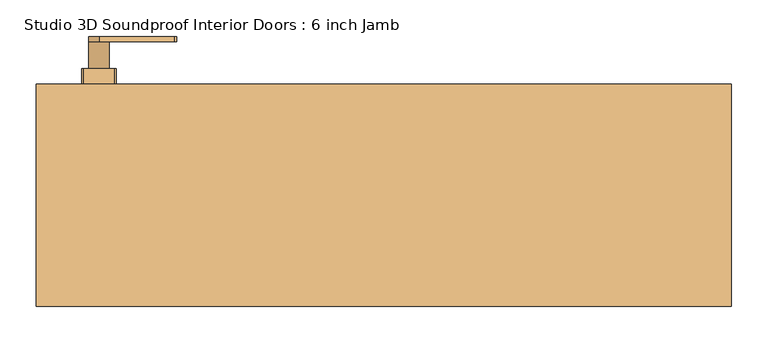
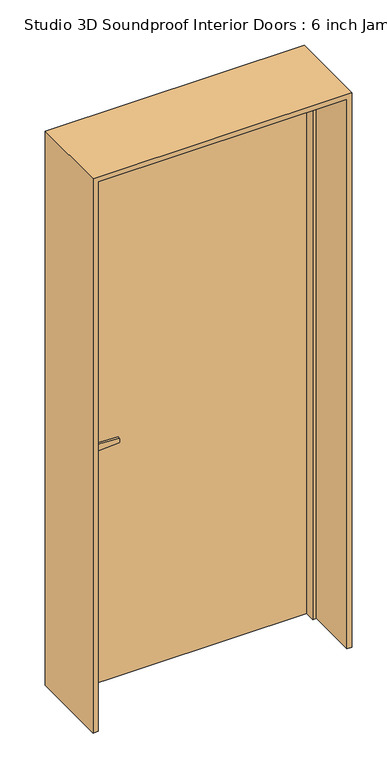
"""IFC4 building model written with IfcOpenShell, lengths in millimetres: door geometry, Studio 3D Soundproof Interior Doors : 6 inch Jamb."""

from ifc_helpers import new_model, si_unit, point, frame, frame_2d, origin, origin_with_axes, place, context, project, spatial, polyline, circle_curve, trimmed, segment, composite_curve, outline, extrude, faceted_brep, source, transform, mapped, element, save


def studio_3d_soundproof_interior_doors_6_inch_jamb_a1a7df69(model_context):
    return source(origin(), model_context, "Body", "SolidModel", [
        extrude(outline(composite_curve([segment(polyline([(980.8500629, -286.9976429), (985.5940156, -390.5562374)]), True, "CONTINUOUS"), segment(trimmed(circle_curve(frame_2d((971.3540529, -390.5282704)), 14.2399902), [point((985.5940156, -390.5562374))], [point((957.1140902, -390.5562374))], False, "CARTESIAN"), True, "CONTINUOUS"), segment(polyline([(957.1140902, -390.5562374), (961.858043, -286.9976429)]), True, "CONTINUOUS"), segment(trimmed(circle_curve(frame_2d((971.3540529, -301.4004793)), 17.2515478), [point((961.858043, -286.9976429))], [point((980.8500629, -286.9976429))], False, "CARTESIAN"), True, "CONTINUOUS")], self_intersect=False)), frame((0.0, 210.9687888, 0.0), z_axis=(0.0, 1.0, 0.0), x_axis=(0.0, 0.0, 1.0)), (0.0, 0.0, 1.0), 6.9288506),
        extrude(outline(composite_curve([segment(trimmed(circle_curve(frame_2d((971.3540529, -390.5282704)), 14.2399902), [point((971.3540529, -376.2882802))], [point((971.3540529, -404.7682606))], False, "CARTESIAN"), True, "CONTINUOUS"), segment(trimmed(circle_curve(frame_2d((971.3540529, -390.5282704)), 14.2399902), [point((971.3540529, -404.7682606))], [point((971.3540529, -376.2882802))], False, "CARTESIAN"), True, "CONTINUOUS")], self_intersect=False)), frame((0.0, 173.6582345, 0.0), z_axis=(0.0, 1.0, 0.0), x_axis=(0.0, 0.0, 1.0)), (0.0, 0.0, 1.0), 37.3105543),
        extrude(outline(composite_curve([segment(trimmed(circle_curve(frame_2d((1094.8021823, -411.2261984)), 3.1653366), [point((1097.9675189, -411.2261984))], [point((1094.8021823, -414.391535))], False, "CARTESIAN"), True, "CONTINUOUS"), segment(polyline([(1094.8021823, -414.391535), (898.1753792, -414.391535)]), True, "CONTINUOUS"), segment(trimmed(circle_curve(frame_2d((898.1753792, -411.2261984)), 3.1653366), [point((898.1753792, -414.391535))], [point((895.0100425, -411.2261984))], False, "CARTESIAN"), True, "CONTINUOUS"), segment(polyline([(895.0100425, -411.2261984), (895.0100425, -369.8238016)]), True, "CONTINUOUS"), segment(trimmed(circle_curve(frame_2d((898.1753792, -369.8238016)), 3.1653366), [point((895.0100425, -369.8238016))], [point((898.1753792, -366.658465))], False, "CARTESIAN"), True, "CONTINUOUS"), segment(polyline([(898.1753792, -366.658465), (1094.8021823, -366.658465)]), True, "CONTINUOUS"), segment(trimmed(circle_curve(frame_2d((1094.8021823, -369.8238016)), 3.1653366), [point((1094.8021823, -366.658465))], [point((1097.9675189, -369.8238016))], False, "CARTESIAN"), True, "CONTINUOUS"), segment(polyline([(1097.9675189, -369.8238016), (1097.9675189, -411.2261984)]), True, "CONTINUOUS")], self_intersect=False)), frame((0.0, 152.4, 0.0), z_axis=(0.0, 1.0, 0.0), x_axis=(0.0, 0.0, 1.0)), (0.0, 0.0, 1.0), 21.2582345),
        extrude(outline(composite_curve([segment(polyline([(980.8500629, -286.9976429), (985.5940156, -390.5562374)]), True, "CONTINUOUS"), segment(trimmed(circle_curve(frame_2d((971.3540529, -390.5282704)), 14.2399902), [point((985.5940156, -390.5562374))], [point((957.1140902, -390.5562374))], False, "CARTESIAN"), True, "CONTINUOUS"), segment(polyline([(957.1140902, -390.5562374), (961.858043, -286.9976429)]), True, "CONTINUOUS"), segment(trimmed(circle_curve(frame_2d((971.3540529, -301.4004793)), 17.2515478), [point((961.858043, -286.9976429))], [point((980.8500629, -286.9976429))], False, "CARTESIAN"), True, "CONTINUOUS")], self_intersect=False)), frame((0.0, 10.0433876, 0.0), z_axis=(0.0, 1.0, 0.0), x_axis=(0.0, 0.0, 1.0)), (0.0, 0.0, 1.0), 6.9288506),
        extrude(outline(composite_curve([segment(trimmed(circle_curve(frame_2d((971.3540529, -390.5282704)), 14.2399902), [point((971.3540529, -376.2882802))], [point((971.3540529, -404.7682606))], False, "CARTESIAN"), True, "CONTINUOUS"), segment(trimmed(circle_curve(frame_2d((971.3540529, -390.5282704)), 14.2399902), [point((971.3540529, -404.7682606))], [point((971.3540529, -376.2882802))], False, "CARTESIAN"), True, "CONTINUOUS")], self_intersect=False)), frame((0.0, 16.9722383, 0.0), z_axis=(0.0, 1.0, 0.0), x_axis=(0.0, 0.0, 1.0)), (0.0, 0.0, 1.0), 37.3105543),
        extrude(outline(composite_curve([segment(trimmed(circle_curve(frame_2d((1094.8021823, -411.2261984)), 3.1653366), [point((1097.9675189, -411.2261984))], [point((1094.8021823, -414.391535))], False, "CARTESIAN"), True, "CONTINUOUS"), segment(polyline([(1094.8021823, -414.391535), (898.1753792, -414.391535)]), True, "CONTINUOUS"), segment(trimmed(circle_curve(frame_2d((898.1753792, -411.2261984)), 3.1653366), [point((898.1753792, -414.391535))], [point((895.0100425, -411.2261984))], False, "CARTESIAN"), True, "CONTINUOUS"), segment(polyline([(895.0100425, -411.2261984), (895.0100425, -369.8238016)]), True, "CONTINUOUS"), segment(trimmed(circle_curve(frame_2d((898.1753792, -369.8238016)), 3.1653366), [point((895.0100425, -369.8238016))], [point((898.1753792, -366.658465))], False, "CARTESIAN"), True, "CONTINUOUS"), segment(polyline([(898.1753792, -366.658465), (1094.8021823, -366.658465)]), True, "CONTINUOUS"), segment(trimmed(circle_curve(frame_2d((1094.8021823, -369.8238016)), 3.1653366), [point((1094.8021823, -366.658465))], [point((1097.9675189, -369.8238016))], False, "CARTESIAN"), True, "CONTINUOUS"), segment(polyline([(1097.9675189, -369.8238016), (1097.9675189, -411.2261984)]), True, "CONTINUOUS")], self_intersect=False)), frame((0.0, 54.2827925, 0.0), z_axis=(0.0, 1.0, 0.0), x_axis=(0.0, 0.0, 1.0)), (0.0, 0.0, 1.0), 21.2582345),
        extrude(outline(polyline([(457.2000762, 80.9623381), (-457.2000762, 80.9623381), (-457.2000762, 152.4), (457.2000762, 152.4), (457.2000762, 80.9623381)])), origin_with_axes(), (0.0, 0.0, 1.0), 2133.8977325),
        faceted_brep([(-476.25, -152.4, 0.0), (-476.25, 152.4, 0.0), (-457.2000762, 152.4, 0.0), (-457.2000762, 80.9623381, 0.0), (-444.4999238, 80.9623381, 0.0), (-444.4999238, 42.8622492, 0.0), (-457.2000176, 42.8622492, 0.0), (-457.2000176, -152.4, 0.0), (-476.25, -152.4, 2152.9476562), (-476.25, 152.4, 2152.9476562), (476.25, 152.4, 2152.9476562), (476.25, 152.4, 0.0), (457.2000762, 152.4, 0.0), (457.2000762, 152.4, 2133.8977325), (-457.2000762, 152.4, 2133.8977325), (-457.2000762, 80.9623381, 2133.8977325), (457.2000762, 80.9623381, 2133.8977325), (457.2000762, 80.9623381, 0.0), (444.4999238, 80.9623381, 0.0), (444.4999238, 80.9623381, 2121.1975801), (-444.4999238, 80.9623381, 2121.1975801), (-444.4999238, 42.8622492, 2121.1975801), (444.4999238, 42.8622492, 2121.1975801), (444.4999238, 42.8622492, 0.0), (457.2000176, 42.8622492, 0.0), (457.2000176, 42.8622492, 2133.8976738), (-457.2000176, 42.8622492, 2133.8976738), (-457.2000176, -152.4, 2133.8976738), (457.2000176, -152.4, 2133.8976738), (457.2000176, -152.4, 0.0), (476.25, -152.4, 0.0), (476.25, -152.4, 2152.9476562)], [[[0, 1, 2, 3, 4, 5, 6, 7]], [[1, 0, 8, 9]], [[2, 1, 9, 10, 11, 12, 13, 14]], [[3, 2, 14, 15]], [[4, 3, 15, 16, 17, 18, 19, 20]], [[5, 4, 20, 21]], [[6, 5, 21, 22, 23, 24, 25, 26]], [[7, 6, 26, 27]], [[0, 7, 27, 28, 29, 30, 31, 8]], [[10, 31, 30, 11]], [[30, 29, 24, 23, 18, 17, 12, 11]], [[16, 13, 12, 17]], [[22, 19, 18, 23]], [[28, 25, 24, 29]], [[9, 8, 31, 10]], [[15, 14, 13, 16]], [[21, 20, 19, 22]], [[27, 26, 25, 28]]]),
    ])


if __name__ == "__main__":
    model = new_model("IFC4")
    model_context = context("Model", 3, world=origin())
    ifc_project = project(units=[si_unit("LENGTHUNIT", "METRE", prefix="MILLI")], contexts=[model_context])
    site = spatial("IfcSite", under=ifc_project)
    building = spatial("IfcBuilding", under=site)
    placement = place(None, origin())
    studio_3d_soundproof_interior_doors_6_inch_jamb_shape = studio_3d_soundproof_interior_doors_6_inch_jamb_a1a7df69(model_context)
    element("IfcDoor", 1, ObjectType="Studio 3D Soundproof Interior Doors : 6 inch Jamb", at=placement, inside=building, context=model_context, shape_type="MappedRepresentation", body=[
        mapped(studio_3d_soundproof_interior_doors_6_inch_jamb_shape, transform((0.0, 0.0, 0.0), x_axis=(1.0, 0.0, 0.0), y_axis=(0.0, 1.0, 0.0), z_axis=(0.0, 0.0, 1.0))),
    ])
    save(model, "model.ifc")
